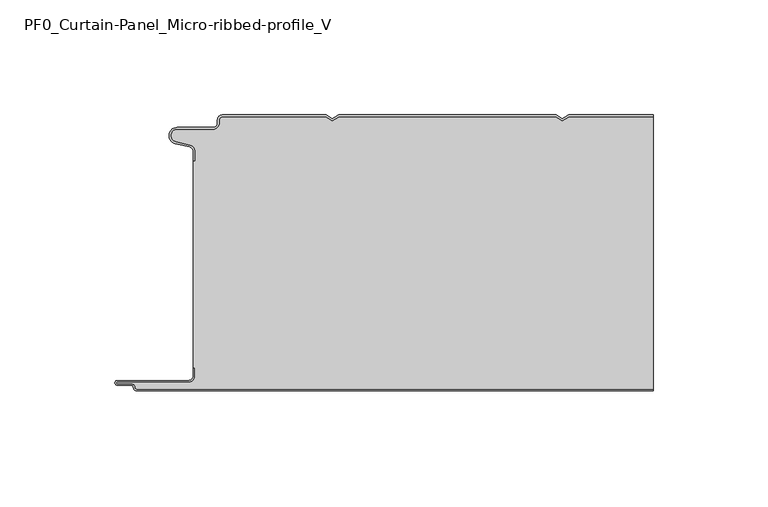
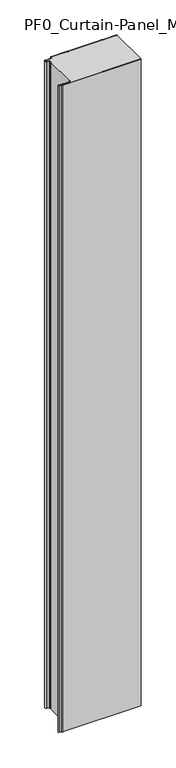
"""IFC4 building model written with IfcOpenShell, lengths in millimetres: plate geometry, PF0_Curtain-Panel_Micro-ribbed-profile_V."""

from ifc_helpers import new_model, si_unit, point, frame_2d, origin, origin_with_axes, place, context, project, spatial, polyline, circle_curve, trimmed, segment, composite_curve, outline, extrude, source, transform, mapped, element, save


def pf0_curtain_panel_micro_ribbed_profile_v_1c813e03(model_context):
    return source(origin(), model_context, "Body", "SweptSolid", [
        extrude(outline(composite_curve([segment(trimmed(circle_curve(frame_2d((-102.0119739, -15.878557)), 2.0), [point((-100.0119739, -15.878557))], [point((-101.5620718, -13.9298169))], True, "CARTESIAN"), True, "CONTINUOUS"), segment(polyline([(-101.5620718, -13.9298169), (-107.7217978, -12.507732)]), True, "CONTINUOUS"), segment(trimmed(circle_curve(frame_2d((-106.9119739, -9.0)), 3.6), [point((-107.7217978, -12.507732))], [point((-106.9119739, -5.4))], False, "CARTESIAN"), True, "CONTINUOUS"), segment(polyline([(-106.9119739, -5.4), (-91.4119739, -5.4)]), True, "CONTINUOUS"), segment(trimmed(circle_curve(frame_2d((-91.4119739, -3.4)), 2.0), [point((-91.4119739, -5.4))], [point((-89.4119739, -3.4))], True, "CARTESIAN"), True, "CONTINUOUS"), segment(polyline([(-89.4119739, -3.4), (-89.4119739, -2.0)]), True, "CONTINUOUS"), segment(trimmed(circle_curve(frame_2d((-87.4119739, -2.0)), 2.0), [point((-89.4119739, -2.0))], [point((-87.4119739, 0.0))], False, "CARTESIAN"), True, "CONTINUOUS"), segment(polyline([(-87.4119739, 0.0), (-42.1119734, 0.0), (-39.4119739, -1.5588455), (-36.7119745, 0.0), (57.8880266, 0.0), (60.5880261, -1.5588455), (63.2880255, 0.0), (100.0119739, 0.0), (100.0119739, -0.8), (63.5023849, -0.8), (60.5880261, -2.482606), (57.6736672, -0.8), (-36.4976151, -0.8), (-39.4119739, -2.482606), (-42.3263328, -0.8), (-87.4119739, -0.8)]), True, "CONTINUOUS"), segment(trimmed(circle_curve(frame_2d((-87.4119739, -2.0)), 1.2), [point((-87.4119739, -0.8))], [point((-88.6119739, -2.0))], True, "CARTESIAN"), True, "CONTINUOUS"), segment(polyline([(-88.6119739, -2.0), (-88.6119739, -3.4)]), True, "CONTINUOUS"), segment(trimmed(circle_curve(frame_2d((-91.4119739, -3.4)), 2.8), [point((-88.6119739, -3.4))], [point((-91.4119739, -6.2))], False, "CARTESIAN"), True, "CONTINUOUS"), segment(polyline([(-91.4119739, -6.2), (-106.9119739, -6.2)]), True, "CONTINUOUS"), segment(trimmed(circle_curve(frame_2d((-106.9119739, -9.0)), 2.8), [point((-106.9119739, -6.2))], [point((-107.541837, -11.7282362))], True, "CARTESIAN"), True, "CONTINUOUS"), segment(polyline([(-107.541837, -11.7282362), (-101.3821109, -13.150321)]), True, "CONTINUOUS"), segment(trimmed(circle_curve(frame_2d((-102.0119739, -15.878557)), 2.8), [point((-101.3821109, -13.150321))], [point((-99.2119739, -15.878557))], False, "CARTESIAN"), True, "CONTINUOUS"), segment(polyline([(-99.2119739, -15.878557), (-99.2119739, -20.0), (-100.0119739, -20.0), (-100.0119739, -15.878557)]), True, "CONTINUOUS")], self_intersect=False)), origin_with_axes(), (0.0, 0.0, 1.0), 1945.7507136),
        extrude(outline(composite_curve([segment(polyline([(-99.2119739, -110.0), (-100.0119739, -110.0), (-100.0119739, -20.0), (-99.2119739, -20.0), (-99.2119739, -15.878557)]), True, "CONTINUOUS"), segment(trimmed(circle_curve(frame_2d((-102.0119739, -15.878557)), 2.8), [point((-99.2119739, -15.878557))], [point((-101.3821109, -13.1503208))], True, "CARTESIAN"), True, "CONTINUOUS"), segment(polyline([(-101.3821109, -13.1503208), (-107.5418369, -11.7282362)]), True, "CONTINUOUS"), segment(trimmed(circle_curve(frame_2d((-106.9119739, -9.0)), 2.8), [point((-107.5418369, -11.7282362))], [point((-106.9119739, -6.2))], False, "CARTESIAN"), True, "CONTINUOUS"), segment(polyline([(-106.9119739, -6.2), (-91.4119739, -6.2)]), True, "CONTINUOUS"), segment(trimmed(circle_curve(frame_2d((-91.4119739, -3.4)), 2.8), [point((-91.4119739, -6.2))], [point((-88.6119739, -3.4))], True, "CARTESIAN"), True, "CONTINUOUS"), segment(polyline([(-88.6119739, -3.4), (-88.6119739, -2.0)]), True, "CONTINUOUS"), segment(trimmed(circle_curve(frame_2d((-87.4119739, -2.0)), 1.2), [point((-88.6119739, -2.0))], [point((-87.4119739, -0.8))], False, "CARTESIAN"), True, "CONTINUOUS"), segment(polyline([(-87.4119739, -0.8), (-42.3263328, -0.8), (-39.4119739, -2.482606), (-36.4976151, -0.8), (57.6736672, -0.8), (60.5880261, -2.482606), (63.5023849, -0.8), (100.0119739, -0.8), (100.0119739, -119.2), (-124.4119739, -119.2)]), True, "CONTINUOUS"), segment(trimmed(circle_curve(frame_2d((-124.4119739, -118.4)), 0.8), [point((-124.4119739, -119.2))], [point((-125.2119739, -118.4))], False, "CARTESIAN"), True, "CONTINUOUS"), segment(trimmed(circle_curve(frame_2d((-126.9119739, -118.6133333)), 1.7133333), [point((-125.2119739, -118.4))], [point((-126.9119739, -116.9))], True, "CARTESIAN"), True, "CONTINUOUS"), segment(polyline([(-126.9119739, -116.9), (-132.8820051, -116.9)]), True, "CONTINUOUS"), segment(trimmed(circle_curve(frame_2d((-132.8820051, -116.6)), 0.3), [point((-132.8820051, -116.9))], [point((-132.8820051, -116.3))], False, "CARTESIAN"), True, "CONTINUOUS"), segment(polyline([(-132.8820051, -116.3), (-102.0119739, -116.3)]), True, "CONTINUOUS"), segment(trimmed(circle_curve(frame_2d((-102.0119739, -113.5)), 2.8), [point((-102.0119739, -116.3))], [point((-99.2119739, -113.5))], True, "CARTESIAN"), True, "CONTINUOUS"), segment(polyline([(-99.2119739, -113.5), (-99.2119739, -110.0)]), True, "CONTINUOUS")], self_intersect=False)), origin_with_axes(), (0.0, 0.0, 1.0), 1945.7507136),
        extrude(outline(composite_curve([segment(polyline([(-100.0119739, -110.0), (-99.2119739, -110.0), (-99.2119739, -113.5)]), True, "CONTINUOUS"), segment(trimmed(circle_curve(frame_2d((-102.0119739, -113.5)), 2.8), [point((-99.2119739, -113.5))], [point((-102.0119739, -116.3))], False, "CARTESIAN"), True, "CONTINUOUS"), segment(polyline([(-102.0119739, -116.3), (-132.8820051, -116.3)]), True, "CONTINUOUS"), segment(trimmed(circle_curve(frame_2d((-132.8820051, -116.6)), 0.3), [point((-132.8820051, -116.3))], [point((-132.8820051, -116.9))], True, "CARTESIAN"), True, "CONTINUOUS"), segment(polyline([(-132.8820051, -116.9), (-126.9119739, -116.9)]), True, "CONTINUOUS"), segment(trimmed(circle_curve(frame_2d((-126.9119739, -118.6133333)), 1.7133333), [point((-126.9119739, -116.9))], [point((-125.2119739, -118.4))], False, "CARTESIAN"), True, "CONTINUOUS"), segment(trimmed(circle_curve(frame_2d((-124.4119739, -118.4)), 0.8), [point((-125.2119739, -118.4))], [point((-124.4119739, -119.2))], True, "CARTESIAN"), True, "CONTINUOUS"), segment(polyline([(-124.4119739, -119.2), (100.0119739, -119.2), (100.0119739, -120.0), (-124.4119739, -120.0)]), True, "CONTINUOUS"), segment(trimmed(circle_curve(frame_2d((-124.4119739, -118.4)), 1.6), [point((-124.4119739, -120.0))], [point((-126.0119739, -118.4))], False, "CARTESIAN"), True, "CONTINUOUS"), segment(trimmed(circle_curve(frame_2d((-126.9119739, -118.4)), 0.9), [point((-126.0119739, -118.4))], [point((-126.9119739, -117.5))], True, "CARTESIAN"), True, "CONTINUOUS"), segment(polyline([(-126.9119739, -117.5), (-133.0119739, -117.5)]), True, "CONTINUOUS"), segment(trimmed(circle_curve(frame_2d((-133.0119739, -116.5)), 1.0), [point((-133.0119739, -117.5))], [point((-133.0119739, -115.5))], False, "CARTESIAN"), True, "CONTINUOUS"), segment(polyline([(-133.0119739, -115.5), (-102.0119739, -115.5)]), True, "CONTINUOUS"), segment(trimmed(circle_curve(frame_2d((-102.0119739, -113.5)), 2.0), [point((-102.0119739, -115.5))], [point((-100.0119739, -113.5))], True, "CARTESIAN"), True, "CONTINUOUS"), segment(polyline([(-100.0119739, -113.5), (-100.0119739, -110.0)]), True, "CONTINUOUS")], self_intersect=False)), origin_with_axes(), (0.0, 0.0, 1.0), 1945.7507136),
    ])


if __name__ == "__main__":
    model = new_model("IFC4")
    model_context = context("Model", 3, world=origin())
    ifc_project = project(units=[si_unit("LENGTHUNIT", "METRE", prefix="MILLI")], contexts=[model_context])
    site = spatial("IfcSite", under=ifc_project)
    building = spatial("IfcBuilding", under=site)
    placement = place(None, origin())
    pf0_curtain_panel_micro_ribbed_profile_v_shape = pf0_curtain_panel_micro_ribbed_profile_v_1c813e03(model_context)
    element("IfcPlate", 1, ObjectType="PF0_Curtain-Panel_Micro-ribbed-profile_V", at=placement, inside=building, context=model_context, shape_type="MappedRepresentation", body=[
        mapped(pf0_curtain_panel_micro_ribbed_profile_v_shape, transform((0.0, 0.0, 0.0), x_axis=(1.0, 0.0, 0.0), y_axis=(0.0, 1.0, 0.0), z_axis=(0.0, 0.0, 1.0))),
    ])
    save(model, "model.ifc")
